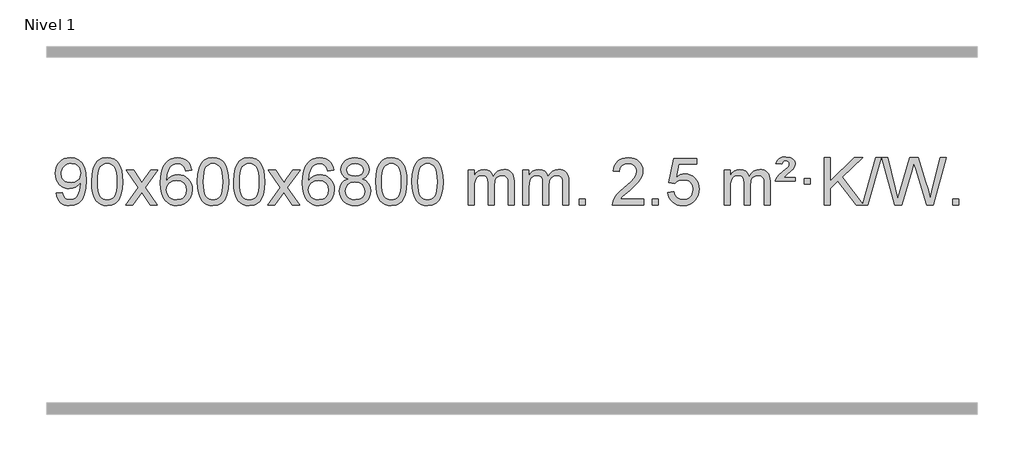
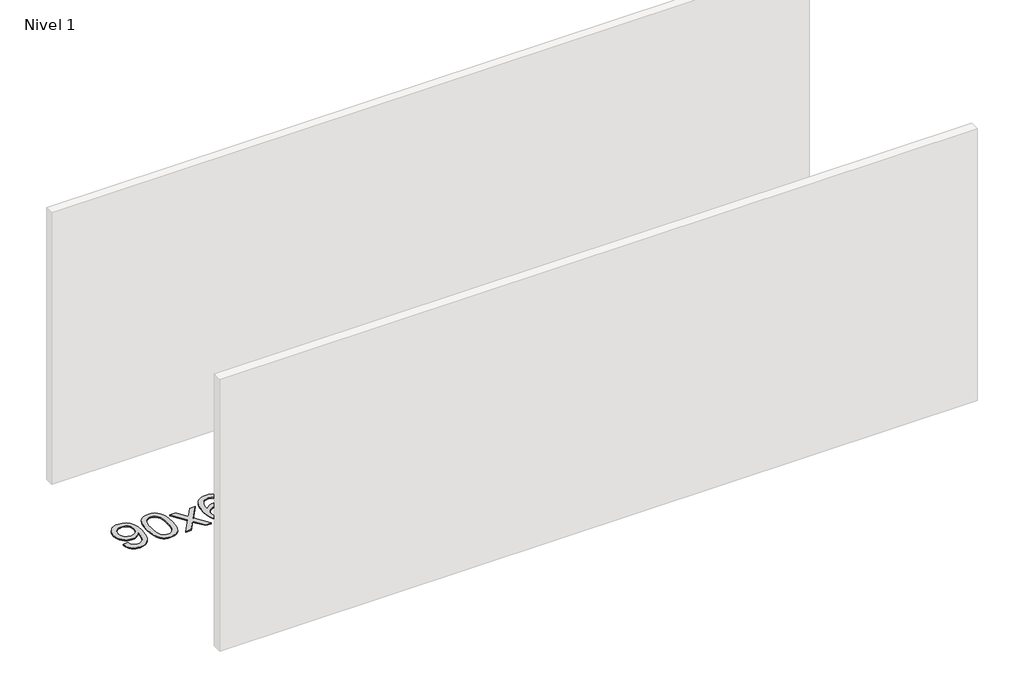
# One storey, part 8 of 16: 1 proxy.
"""IFC4 building model written with IfcOpenShell, lengths in millimetres."""

from ifc_helpers import new_model, si_unit, origin, origin_with_axes, place, context, project, spatial, polyline, outline, extrude, element, save

model = new_model("IFC4")

# Units and contexts
model_context = context("Model", 3, world=origin())
ifc_project = project(units=[si_unit("LENGTHUNIT", "METRE", prefix="MILLI")], contexts=[model_context])

# Site, building, storey
site = spatial("IfcSite", under=ifc_project)
building = spatial("IfcBuilding", under=site)
storey = spatial("IfcBuildingStorey", under=building, Name="Nivel 1", Elevation=0.0)

# Proxy
placement = place(None, origin())
element("IfcBuildingElementProxy", 1, Name="Texto de modelo 1", ObjectType="Texto de modelo 1", at=placement, inside=storey, context=model_context, shape_type="SweptSolid", body=[
    extrude(outline(polyline([(-149.8911911, -18395.1231428), (-99.663036, -18388.8446235), (-91.0791228, -18417.3554781), (-77.099607, -18436.7673847), (-58.0678451, -18447.9142092), (-34.3271937, -18451.6298173), (-13.0268261, -18449.2385843), (6.3360295, -18442.0648854), (22.4247355, -18430.8935355), (33.9026537, -18416.5093495), (50.3347162, -18372.8540194), (55.7793697, -18344.4535294), (57.5942542, -18314.5815114), (57.2999486, -18304.7713248), (39.8991302, -18326.0103787), (17.1272347, -18342.8348486), (-9.3725317, -18353.7977321), (-37.9569627, -18357.4520265), (-61.8171757, -18355.2202091), (-83.7582711, -18348.5247568), (-103.7802487, -18337.3656696), (-121.8831085, -18321.7429475), (-136.8834969, -18302.4720624), (-147.59806, -18280.3684858), (-154.0267978, -18255.4322179), (-156.1697105, -18227.6632586), (-153.9225646, -18198.968463), (-147.181127, -18173.2167234), (-135.9453978, -18150.4080397), (-120.2153768, -18130.5424119), (-101.1008415, -18114.4475746), (-79.7115691, -18102.9512623), (-56.0475598, -18096.0534749), (-30.1088134, -18093.7542124), (7.3538364, -18099.0026622), (41.4564973, -18114.7480116), (69.9796147, -18140.2054457), (90.7036338, -18174.5901495), (103.3219862, -18222.1205032), (107.5281037, -18287.0148872), (103.3342489, -18355.821083), (90.7526847, -18409.0045568), (69.8937756, -18448.9688042), (56.4017034, -18464.8950289), (40.8678862, -18478.117321), (23.6050235, -18488.503856), (4.9258152, -18495.9228095), (-36.6816384, -18501.8579724), (-59.2389361, -18500.1074672), (-79.62573, -18494.8559517), (-97.8420201, -18486.1034259), (-113.8878065, -18473.8498898), (-127.3584189, -18458.4264372), (-137.8491871, -18440.1641618), (-145.3601112, -18419.0630637), (-149.8911911, -18395.1231428)]), holes=[polyline([(57.2999486, -18226.4860363), (51.8798205, -18192.444689), (45.1046605, -18178.3670713), (35.6194364, -18166.2514909), (23.8901321, -18156.5087494), (10.3827315, -18149.5496483), (-21.9663586, -18143.9823675), (-39.5756435, -18145.4814866), (-55.5171966, -18149.978844), (-69.791018, -18157.4744396), (-82.3971077, -18167.9682736), (-92.6978036, -18180.8472091), (-100.0554435, -18195.4981095), (-104.4700274, -18211.9209749), (-105.9415554, -18230.1158053), (-100.3742745, -18261.1527829), (-93.4151735, -18274.2708417), (-83.6724319, -18285.7886139), (-71.5507202, -18295.1665391), (-57.4547084, -18301.8650571), (-23.3397847, -18307.2238715), (8.751788, -18301.8650571), (34.5893668, -18285.7886139), (44.5252463, -18274.0439812), (51.6223031, -18260.2453407), (57.2999486, -18226.4860363)])]), origin_with_axes(), (0.0, 0.0, 1.0), 10.0),
    extrude(outline(polyline([(151.4777394, -18297.9041943), (155.1688221, -18233.5861588), (166.2420701, -18182.2911459), (184.5871189, -18143.2343407), (196.4451819, -18128.0009605), (210.0936039, -18115.6309284), (225.5783702, -18106.0598651), (242.9454661, -18099.2233914), (283.3266464, -18093.7542124), (314.277785, -18096.991574), (341.9915619, -18106.7036586), (365.1681276, -18122.5103217), (382.5076323, -18144.0314184), (395.6042314, -18171.0830078), (406.05208, -18203.4811488), (412.8946851, -18244.6226186), (415.1755535, -18297.9041943), (411.521259, -18361.8543477), (400.5583756, -18413.0267333), (382.3236913, -18452.1203266), (370.4932195, -18467.3996922), (356.8539945, -18479.8341036), (341.3508341, -18489.4695462), (323.928556, -18496.3520052), (283.3266464, -18501.8579724), (255.6619204, -18499.4667394), (231.1364541, -18492.2930405), (209.7502474, -18480.3368757), (191.5033004, -18463.5982449), (173.9921175, -18433.3399508), (161.4841296, -18395.6381776), (153.9793369, -18350.4929255), (151.4777394, -18297.9041943)]), holes=[polyline([(201.7058944, -18297.8060924), (203.1774224, -18341.4706195), (207.5920064, -18376.8148822), (214.9496463, -18403.8388804), (225.2503421, -18422.5426142), (237.709279, -18435.2682656), (251.5416421, -18444.3580165), (266.7474312, -18449.8118671), (283.3266464, -18451.6298173), (299.9058617, -18449.8057357), (315.1116508, -18444.3334911), (328.9440138, -18435.2130833), (341.4029507, -18422.4445124), (351.7036466, -18403.7101217), (359.0612865, -18376.6922549), (363.4758705, -18341.3909118), (364.9473984, -18297.8060924), (363.5249214, -18255.2973278), (359.2574902, -18220.5753989), (352.145105, -18193.6403055), (342.1877657, -18174.4920476), (329.9372952, -18161.1440625), (315.9455167, -18151.6097875), (300.21243, -18145.8892225), (282.7380352, -18143.9823675), (266.2446591, -18145.6623619), (251.2963874, -18150.7023452), (237.89322, -18159.1023175), (226.0351571, -18170.8622786), (215.3911047, -18191.708925), (207.7882101, -18219.8151094), (203.2264734, -18255.1808319), (201.7058944, -18297.8060924)])]), origin_with_axes(), (0.0, 0.0, 1.0), 10.0),
    extrude(outline(polyline([(440.2896311, -18495.579453), (547.6130718, -18347.2494325), (446.5681504, -18200.4890419), (506.9988995, -18200.4890419), (555.7555266, -18271.122385), (578.5151594, -18304.4770192), (598.2336343, -18277.2047007), (653.7592901, -18200.4890419), (714.1900392, -18200.4890419), (608.0438209, -18347.2494325), (710.2659646, -18495.579453), (649.8352155, -18495.579453), (588.3253459, -18406.4048574), (577.0436314, -18390.1199477), (500.7203801, -18495.579453), (440.2896311, -18495.579453)])), origin_with_axes(), (0.0, 0.0, 1.0), 10.0),
    extrude(outline(polyline([(999.0778563, -18200.4890419), (948.8497012, -18206.7675613), (940.7562973, -18181.874213), (929.8179393, -18164.8780648), (907.0337811, -18149.2062918), (879.4916824, -18143.9823675), (856.1434384, -18147.0235253), (834.1686206, -18156.1469988), (815.2962742, -18175.3627017), (799.8820186, -18201.8134171), (789.4709581, -18239.227016), (785.6081972, -18291.3313693), (805.7558678, -18267.8237098), (829.9011894, -18251.2567573), (856.6952614, -18241.434308), (884.7891831, -18238.1601582), (908.922242, -18240.398107), (931.1913654, -18247.1119534), (951.5965534, -18258.3016975), (970.137806, -18273.9673391), (985.5459302, -18293.1769106), (996.5517332, -18314.9984443), (1003.155215, -18339.4319401), (1005.3563756, -18366.4773982), (1001.2115718, -18402.4439945), (988.7771604, -18435.786366), (969.0832109, -18464.0642287), (943.159793, -18484.8372987), (912.184129, -18497.602804), (877.3334413, -18501.8579724), (847.3909126, -18499.0375437), (820.3485203, -18490.5762579), (796.2062643, -18476.4741147), (774.9641448, -18456.7311143), (757.6460999, -18430.5133908), (745.2760678, -18396.9870783), (737.8540485, -18356.1521768), (735.3800421, -18308.0086864), (738.1268943, -18254.0342663), (746.367451, -18207.9693092), (760.1017122, -18169.8138149), (779.3296778, -18139.5677835), (800.1701928, -18119.5243462), (824.3339085, -18105.2076052), (851.820825, -18096.6175606), (882.6309421, -18093.7542124), (905.7645882, -18095.5261773), (926.7032051, -18100.8420722), (945.4467927, -18109.7018969), (961.9953511, -18122.1056515), (975.9012906, -18137.6364031), (986.7170212, -18155.8772186), (994.4425431, -18176.8280983), (999.0778563, -18200.4890419)]), holes=[polyline([(785.6081972, -18365.6925832), (788.514465, -18387.9494439), (797.2332682, -18409.2007605), (810.7713257, -18427.472233), (828.1353558, -18440.7895612), (849.0923668, -18448.9197533), (873.4093667, -18451.6298173), (906.5555345, -18446.0134855), (920.4706709, -18438.9930708), (932.6138425, -18429.1644901), (942.4638829, -18416.9262824), (949.499626, -18402.6769865), (955.1282206, -18368.1451299), (949.5732024, -18334.9989621), (942.6294298, -18321.3781312), (932.9081481, -18309.725469), (920.7281883, -18300.3904634), (906.4083817, -18293.7226022), (871.3492275, -18288.3883133), (838.2521107, -18293.7226022), (810.5751219, -18309.725469), (799.6520924, -18321.2248471), (791.8499284, -18334.3858254), (787.16863, -18349.2084042), (785.6081972, -18365.6925832)])]), origin_with_axes(), (0.0, 0.0, 1.0), 10.0),
    extrude(outline(polyline([(1049.3060113, -18297.9041943), (1052.997094, -18233.5861588), (1064.0703421, -18182.2911459), (1082.4153909, -18143.2343407), (1094.2734539, -18128.0009605), (1107.9218759, -18115.6309284), (1123.4066422, -18106.0598651), (1140.7737381, -18099.2233914), (1181.1549184, -18093.7542124), (1212.1060569, -18096.991574), (1239.8198339, -18106.7036586), (1262.9963996, -18122.5103217), (1280.3359043, -18144.0314184), (1293.4325033, -18171.0830078), (1303.880352, -18203.4811488), (1310.7229571, -18244.6226186), (1313.0038255, -18297.9041943), (1309.349531, -18361.8543477), (1298.3866475, -18413.0267333), (1280.1519633, -18452.1203266), (1268.3214915, -18467.3996922), (1254.6822665, -18479.8341036), (1239.1791061, -18489.4695462), (1221.7568279, -18496.3520052), (1181.1549184, -18501.8579724), (1153.4901924, -18499.4667394), (1128.964726, -18492.2930405), (1107.5785194, -18480.3368757), (1089.3315724, -18463.5982449), (1071.8203894, -18433.3399508), (1059.3124016, -18395.6381776), (1051.8076089, -18350.4929255), (1049.3060113, -18297.9041943)]), holes=[polyline([(1099.5341664, -18297.8060924), (1101.0056944, -18341.4706195), (1105.4202783, -18376.8148822), (1112.7779182, -18403.8388804), (1123.0786141, -18422.5426142), (1135.537551, -18435.2682656), (1149.369914, -18444.3580165), (1164.5757032, -18449.8118671), (1181.1549184, -18451.6298173), (1197.7341337, -18449.8057357), (1212.9399228, -18444.3334911), (1226.7722858, -18435.2130833), (1239.2312227, -18422.4445124), (1249.5319186, -18403.7101217), (1256.8895585, -18376.6922549), (1261.3041424, -18341.3909118), (1262.7756704, -18297.8060924), (1261.3531934, -18255.2973278), (1257.0857622, -18220.5753989), (1249.973377, -18193.6403055), (1240.0160376, -18174.4920476), (1227.7655672, -18161.1440625), (1213.7737886, -18151.6097875), (1198.040702, -18145.8892225), (1180.5663072, -18143.9823675), (1164.0729311, -18145.6623619), (1149.1246594, -18150.7023452), (1135.721492, -18159.1023175), (1123.863429, -18170.8622786), (1113.2193766, -18191.708925), (1105.6164821, -18219.8151094), (1101.0547453, -18255.1808319), (1099.5341664, -18297.8060924)])]), origin_with_axes(), (0.0, 0.0, 1.0), 10.0),
    extrude(outline(polyline([(1356.9534612, -18297.9041943), (1360.6445439, -18233.5861588), (1371.7177919, -18182.2911459), (1390.0628407, -18143.2343407), (1401.9209037, -18128.0009605), (1415.5693257, -18115.6309284), (1431.054092, -18106.0598651), (1448.4211879, -18099.2233914), (1488.8023682, -18093.7542124), (1519.7535068, -18096.991574), (1547.4672837, -18106.7036586), (1570.6438494, -18122.5103217), (1587.9833541, -18144.0314184), (1601.0799532, -18171.0830078), (1611.5278018, -18203.4811488), (1618.3704069, -18244.6226186), (1620.6512753, -18297.9041943), (1616.9969808, -18361.8543477), (1606.0340974, -18413.0267333), (1587.7994131, -18452.1203266), (1575.9689413, -18467.3996922), (1562.3297163, -18479.8341036), (1546.8265559, -18489.4695462), (1529.4042778, -18496.3520052), (1488.8023682, -18501.8579724), (1461.1376422, -18499.4667394), (1436.6121759, -18492.2930405), (1415.2259692, -18480.3368757), (1396.9790222, -18463.5982449), (1379.4678393, -18433.3399508), (1366.9598514, -18395.6381776), (1359.4550587, -18350.4929255), (1356.9534612, -18297.9041943)]), holes=[polyline([(1407.1816162, -18297.8060924), (1408.6531442, -18341.4706195), (1413.0677282, -18376.8148822), (1420.4253681, -18403.8388804), (1430.7260639, -18422.5426142), (1443.1850008, -18435.2682656), (1457.0173639, -18444.3580165), (1472.223153, -18449.8118671), (1488.8023682, -18451.6298173), (1505.3815835, -18449.8057357), (1520.5873726, -18444.3334911), (1534.4197356, -18435.2130833), (1546.8786725, -18422.4445124), (1557.1793684, -18403.7101217), (1564.5370083, -18376.6922549), (1568.9515923, -18341.3909118), (1570.4231202, -18297.8060924), (1569.0006432, -18255.2973278), (1564.733212, -18220.5753989), (1557.6208268, -18193.6403055), (1547.6634875, -18174.4920476), (1535.413017, -18161.1440625), (1521.4212385, -18151.6097875), (1505.6881518, -18145.8892225), (1488.213757, -18143.9823675), (1471.7203809, -18145.6623619), (1456.7721092, -18150.7023452), (1443.3689418, -18159.1023175), (1431.5108789, -18170.8622786), (1420.8668265, -18191.708925), (1413.2639319, -18219.8151094), (1408.7021952, -18255.1808319), (1407.1816162, -18297.8060924)])]), origin_with_axes(), (0.0, 0.0, 1.0), 10.0),
    extrude(outline(polyline([(1645.7653528, -18495.579453), (1753.0887936, -18347.2494325), (1652.0438722, -18200.4890419), (1712.4746213, -18200.4890419), (1761.2312484, -18271.122385), (1783.9908812, -18304.4770192), (1803.7093561, -18277.2047007), (1859.2350119, -18200.4890419), (1919.665761, -18200.4890419), (1813.5195426, -18347.2494325), (1915.7416864, -18495.579453), (1855.3109373, -18495.579453), (1793.8010677, -18406.4048574), (1782.5193532, -18390.1199477), (1706.1961019, -18495.579453), (1645.7653528, -18495.579453)])), origin_with_axes(), (0.0, 0.0, 1.0), 10.0),
    extrude(outline(polyline([(2204.5535781, -18200.4890419), (2154.325423, -18206.7675613), (2146.2320191, -18181.874213), (2135.2936611, -18164.8780648), (2112.5095029, -18149.2062918), (2084.9674042, -18143.9823675), (2061.6191602, -18147.0235253), (2039.6443423, -18156.1469988), (2020.771996, -18175.3627017), (2005.3577404, -18201.8134171), (1994.9466799, -18239.227016), (1991.083919, -18291.3313693), (2011.2315896, -18267.8237098), (2035.3769112, -18251.2567573), (2062.1709832, -18241.434308), (2090.2649049, -18238.1601582), (2114.3979638, -18240.398107), (2136.6670872, -18247.1119534), (2157.0722752, -18258.3016975), (2175.6135278, -18273.9673391), (2191.021652, -18293.1769106), (2202.027455, -18314.9984443), (2208.6309368, -18339.4319401), (2210.8320974, -18366.4773982), (2206.6872936, -18402.4439945), (2194.2528822, -18435.786366), (2174.5589327, -18464.0642287), (2148.6355148, -18484.8372987), (2117.6598508, -18497.602804), (2082.8091631, -18501.8579724), (2052.8666344, -18499.0375437), (2025.8242421, -18490.5762579), (2001.6819861, -18476.4741147), (1980.4398666, -18456.7311143), (1963.1218217, -18430.5133908), (1950.7517896, -18396.9870783), (1943.3297703, -18356.1521768), (1940.8557639, -18308.0086864), (1943.6026161, -18254.0342663), (1951.8431728, -18207.9693092), (1965.577434, -18169.8138149), (1984.8053996, -18139.5677835), (2005.6459146, -18119.5243462), (2029.8096303, -18105.2076052), (2057.2965468, -18096.6175606), (2088.1066638, -18093.7542124), (2111.24031, -18095.5261773), (2132.1789269, -18100.8420722), (2150.9225145, -18109.7018969), (2167.4710729, -18122.1056515), (2181.3770124, -18137.6364031), (2192.192743, -18155.8772186), (2199.9182649, -18176.8280983), (2204.5535781, -18200.4890419)]), holes=[polyline([(1991.083919, -18365.6925832), (1993.9901867, -18387.9494439), (2002.70899, -18409.2007605), (2016.2470475, -18427.472233), (2033.6110776, -18440.7895612), (2054.5680886, -18448.9197533), (2078.8850885, -18451.6298173), (2112.0312563, -18446.0134855), (2125.9463927, -18438.9930708), (2138.0895643, -18429.1644901), (2147.9396047, -18416.9262824), (2154.9753478, -18402.6769865), (2160.6039424, -18368.1451299), (2155.0489242, -18334.9989621), (2148.1051516, -18321.3781312), (2138.3838699, -18309.725469), (2126.2039101, -18300.3904634), (2111.8841035, -18293.7226022), (2076.8249493, -18288.3883133), (2043.7278325, -18293.7226022), (2016.0508437, -18309.725469), (2005.1278142, -18321.2248471), (1997.3256502, -18334.3858254), (1992.6443518, -18349.2084042), (1991.083919, -18365.6925832)])]), origin_with_axes(), (0.0, 0.0, 1.0), 10.0),
    extrude(outline(polyline([(2327.9657247, -18274.2616447), (2301.0735509, -18261.0178929), (2282.2012045, -18243.0652515), (2271.05438, -18220.7716026), (2267.3387719, -18194.5048281), (2269.3621229, -18174.0199324), (2275.4321758, -18155.2395565), (2285.5489307, -18138.1637006), (2299.7123875, -18122.7923645), (2317.2419645, -18110.088173), (2337.4570802, -18101.0137504), (2360.3577344, -18095.5690969), (2385.9439271, -18093.7542124), (2411.6527472, -18095.6120165), (2434.7250797, -18101.1854287), (2455.1609245, -18110.4744491), (2472.9602817, -18123.4790776), (2487.3812559, -18139.1508506), (2497.6819518, -18156.4413044), (2503.8623693, -18175.3504389), (2505.9225085, -18195.8782543), (2502.2559513, -18221.2989001), (2491.2562796, -18243.2124043), (2472.8008662, -18261.0546811), (2446.7670837, -18274.2616447), (2477.681434, -18290.1909351), (2500.1835494, -18313.6495436), (2513.9055478, -18343.5092989), (2518.4795473, -18378.6420295), (2516.2109416, -18403.6947933), (2509.4051247, -18426.6628926), (2498.0620965, -18447.5463272), (2482.1818571, -18466.3450971), (2462.5982722, -18481.88198), (2440.1452078, -18492.9797536), (2414.8226638, -18499.6384177), (2386.6306402, -18501.8579724), (2358.4386166, -18499.6292206), (2333.1160726, -18492.9429654), (2310.6630082, -18481.7992066), (2291.0794233, -18466.1979443), (2275.1991839, -18447.26735), (2263.8561557, -18426.135595), (2257.0503388, -18402.8026795), (2254.7817331, -18377.2686033), (2259.5396736, -18340.7747094), (2273.813495, -18310.7555386), (2296.8674334, -18288.2411605), (2327.9657247, -18274.2616447)]), holes=[polyline([(2317.566927, -18195.9763561), (2322.0182991, -18217.902123), (2335.3724155, -18235.413306), (2357.2368688, -18246.8912243), (2387.2192514, -18250.717197), (2416.5026582, -18246.9157497), (2438.0360177, -18235.5114079), (2451.2797695, -18218.5888361), (2455.6943534, -18198.232699), (2451.1326167, -18177.1040098), (2437.4474065, -18159.629615), (2415.6197414, -18147.8941794), (2386.6306402, -18143.9823675), (2357.457598, -18147.8083402), (2335.6667211, -18159.2862585), (2322.0918755, -18176.1107284), (2317.566927, -18195.9763561)]), polyline([(2305.0098882, -18375.5027698), (2307.1068156, -18394.7184726), (2313.3975977, -18413.3210389), (2325.010406, -18429.5446349), (2343.073412, -18441.623427), (2364.7048733, -18449.1282197), (2387.0230477, -18451.6298173), (2421.2115477, -18446.3691048), (2435.1052244, -18439.7932141), (2446.8651855, -18430.5869672), (2462.9048405, -18406.6869002), (2468.2513922, -18377.0723996), (2462.7331623, -18346.9551269), (2446.1784725, -18322.5277625), (2434.0996803, -18313.0854579), (2419.9362235, -18306.3409547), (2385.3553159, -18300.9453521), (2351.6450625, -18306.2673783), (2337.9077356, -18312.919911), (2326.2489421, -18322.2334569), (2310.3196517, -18346.1948375), (2305.0098882, -18375.5027698)])]), origin_with_axes(), (0.0, 0.0, 1.0), 10.0),
    extrude(outline(polyline([(2562.429183, -18297.9041943), (2566.1202656, -18233.5861588), (2577.1935137, -18182.2911459), (2595.5385625, -18143.2343407), (2607.3966255, -18128.0009605), (2621.0450475, -18115.6309284), (2636.5298138, -18106.0598651), (2653.8969097, -18099.2233914), (2694.27809, -18093.7542124), (2725.2292286, -18096.991574), (2752.9430055, -18106.7036586), (2776.1195712, -18122.5103217), (2793.4590759, -18144.0314184), (2806.555675, -18171.0830078), (2817.0035236, -18203.4811488), (2823.8461287, -18244.6226186), (2826.1269971, -18297.9041943), (2822.4727026, -18361.8543477), (2811.5098192, -18413.0267333), (2793.2751349, -18452.1203266), (2781.4446631, -18467.3996922), (2767.8054381, -18479.8341036), (2752.3022777, -18489.4695462), (2734.8799996, -18496.3520052), (2694.27809, -18501.8579724), (2666.613364, -18499.4667394), (2642.0878976, -18492.2930405), (2620.701691, -18480.3368757), (2602.454744, -18463.5982449), (2584.9435611, -18433.3399508), (2572.4355732, -18395.6381776), (2564.9307805, -18350.4929255), (2562.429183, -18297.9041943)]), holes=[polyline([(2612.657338, -18297.8060924), (2614.128866, -18341.4706195), (2618.54345, -18376.8148822), (2625.9010899, -18403.8388804), (2636.2017857, -18422.5426142), (2648.6607226, -18435.2682656), (2662.4930856, -18444.3580165), (2677.6988748, -18449.8118671), (2694.27809, -18451.6298173), (2710.8573053, -18449.8057357), (2726.0630944, -18444.3334911), (2739.8954574, -18435.2130833), (2752.3543943, -18422.4445124), (2762.6550902, -18403.7101217), (2770.0127301, -18376.6922549), (2774.427314, -18341.3909118), (2775.898842, -18297.8060924), (2774.476365, -18255.2973278), (2770.2089338, -18220.5753989), (2763.0965486, -18193.6403055), (2753.1392093, -18174.4920476), (2740.8887388, -18161.1440625), (2726.8969603, -18151.6097875), (2711.1638736, -18145.8892225), (2693.6894788, -18143.9823675), (2677.1961027, -18145.6623619), (2662.247831, -18150.7023452), (2648.8446636, -18159.1023175), (2636.9866007, -18170.8622786), (2626.3425483, -18191.708925), (2618.7396537, -18219.8151094), (2614.1779169, -18255.1808319), (2612.657338, -18297.8060924)])]), origin_with_axes(), (0.0, 0.0, 1.0), 10.0),
    extrude(outline(polyline([(2870.0766328, -18297.9041943), (2873.7677155, -18233.5861588), (2884.8409635, -18182.2911459), (2903.1860124, -18143.2343407), (2915.0440753, -18128.0009605), (2928.6924974, -18115.6309284), (2944.1772637, -18106.0598651), (2961.5443595, -18099.2233914), (3001.9255399, -18093.7542124), (3032.8766784, -18096.991574), (3060.5904554, -18106.7036586), (3083.7670211, -18122.5103217), (3101.1065258, -18144.0314184), (3114.2031248, -18171.0830078), (3124.6509735, -18203.4811488), (3131.4935786, -18244.6226186), (3133.7744469, -18297.9041943), (3130.1201525, -18361.8543477), (3119.157269, -18413.0267333), (3100.9225848, -18452.1203266), (3089.0921129, -18467.3996922), (3075.452888, -18479.8341036), (3059.9497276, -18489.4695462), (3042.5274494, -18496.3520052), (3001.9255399, -18501.8579724), (2974.2608138, -18499.4667394), (2949.7353475, -18492.2930405), (2928.3491408, -18480.3368757), (2910.1021939, -18463.5982449), (2892.5910109, -18433.3399508), (2880.0830231, -18395.6381776), (2872.5782304, -18350.4929255), (2870.0766328, -18297.9041943)]), holes=[polyline([(2920.3047879, -18297.8060924), (2921.7763158, -18341.4706195), (2926.1908998, -18376.8148822), (2933.5485397, -18403.8388804), (2943.8492356, -18422.5426142), (2956.3081725, -18435.2682656), (2970.1405355, -18444.3580165), (2985.3463246, -18449.8118671), (3001.9255399, -18451.6298173), (3018.5047551, -18449.8057357), (3033.7105442, -18444.3334911), (3047.5429073, -18435.2130833), (3060.0018442, -18422.4445124), (3070.30254, -18403.7101217), (3077.6601799, -18376.6922549), (3082.0747639, -18341.3909118), (3083.5462919, -18297.8060924), (3082.1238148, -18255.2973278), (3077.8563837, -18220.5753989), (3070.7439984, -18193.6403055), (3060.7866591, -18174.4920476), (3048.5361887, -18161.1440625), (3034.5444101, -18151.6097875), (3018.8113234, -18145.8892225), (3001.3369287, -18143.9823675), (2984.8435526, -18145.6623619), (2969.8952808, -18150.7023452), (2956.4921135, -18159.1023175), (2944.6340505, -18170.8622786), (2933.9899981, -18191.708925), (2926.3871035, -18219.8151094), (2921.8253668, -18255.1808319), (2920.3047879, -18297.8060924)])]), origin_with_axes(), (0.0, 0.0, 1.0), 10.0),
    extrude(outline(polyline([(3347.244106, -18495.579453), (3347.244106, -18200.4890419), (3397.4722611, -18200.4890419), (3397.4722611, -18249.0494653), (3412.5799483, -18226.7435537), (3432.0041177, -18209.2691589), (3455.0825815, -18197.9751816), (3481.1531522, -18194.2105225), (3509.0876584, -18198.048758), (3531.4794092, -18209.5634645), (3548.2057772, -18227.9943524), (3559.1441352, -18252.5811324), (3577.4523959, -18227.0439906), (3598.3358304, -18208.803175), (3621.794439, -18197.8586857), (3647.8282215, -18194.2105225), (3667.9360383, -18195.7280358), (3685.585177, -18200.2805755), (3700.7756377, -18207.8681416), (3713.5074204, -18218.4907342), (3723.5720587, -18232.2709806), (3730.761086, -18249.3315082), (3735.0745024, -18269.6723168), (3736.5123078, -18293.2934066), (3736.5123078, -18495.579453), (3686.2841528, -18495.579453), (3686.2841528, -18314.875817), (3685.1191931, -18289.8230531), (3681.6243142, -18272.9372695), (3675.0760146, -18261.3735121), (3664.7507933, -18252.2868268), (3651.4702533, -18246.4007149), (3636.0559977, -18244.4386776), (3608.8449928, -18249.4663982), (3586.6617085, -18264.54956), (3578.0563355, -18276.1194488), (3571.9096405, -18290.7182326), (3566.9922845, -18329.0024856), (3566.9922845, -18495.579453), (3516.7641294, -18495.579453), (3516.7641294, -18309.2840106), (3513.8578616, -18280.8835206), (3505.1390583, -18260.6254854), (3489.7983791, -18248.4853796), (3467.0264836, -18244.4386776), (3447.6758907, -18247.1364789), (3429.8458767, -18255.2298828), (3415.1305968, -18268.5226856), (3405.1242066, -18286.8186835), (3399.3852475, -18312.2025411), (3397.4722611, -18346.7589232), (3397.4722611, -18495.579453), (3347.244106, -18495.579453)])), origin_with_axes(), (0.0, 0.0, 1.0), 10.0),
    extrude(outline(polyline([(3811.8545404, -18495.579453), (3811.8545404, -18200.4890419), (3862.0826955, -18200.4890419), (3862.0826955, -18249.0494653), (3877.1903828, -18226.7435537), (3896.6145521, -18209.2691589), (3919.693016, -18197.9751816), (3945.7635867, -18194.2105225), (3973.6980929, -18198.048758), (3996.0898436, -18209.5634645), (4012.8162117, -18227.9943524), (4023.7545697, -18252.5811324), (4042.0628303, -18227.0439906), (4062.9462649, -18208.803175), (4086.4048734, -18197.8586857), (4112.438656, -18194.2105225), (4132.5464727, -18195.7280358), (4150.1956114, -18200.2805755), (4165.3860721, -18207.8681416), (4178.1178548, -18218.4907342), (4188.1824931, -18232.2709806), (4195.3715204, -18249.3315082), (4199.6849368, -18269.6723168), (4201.1227423, -18293.2934066), (4201.1227423, -18495.579453), (4150.8945872, -18495.579453), (4150.8945872, -18314.875817), (4149.7296276, -18289.8230531), (4146.2347486, -18272.9372695), (4139.6864491, -18261.3735121), (4129.3612278, -18252.2868268), (4116.0806877, -18246.4007149), (4100.6664321, -18244.4386776), (4073.4554272, -18249.4663982), (4051.2721429, -18264.54956), (4042.6667699, -18276.1194488), (4036.5200749, -18290.7182326), (4031.6027189, -18329.0024856), (4031.6027189, -18495.579453), (3981.3745638, -18495.579453), (3981.3745638, -18309.2840106), (3978.4682961, -18280.8835206), (3969.7494928, -18260.6254854), (3954.4088136, -18248.4853796), (3931.6369181, -18244.4386776), (3912.2863251, -18247.1364789), (3894.4563111, -18255.2298828), (3879.7410313, -18268.5226856), (3869.734641, -18286.8186835), (3863.9956819, -18312.2025411), (3862.0826955, -18346.7589232), (3862.0826955, -18495.579453), (3811.8545404, -18495.579453)])), origin_with_axes(), (0.0, 0.0, 1.0), 10.0),
    extrude(outline(polyline([(4289.0220137, -18495.579453), (4289.0220137, -18445.3512979), (4339.2501687, -18445.3512979), (4339.2501687, -18495.579453), (4289.0220137, -18495.579453)])), origin_with_axes(), (0.0, 0.0, 1.0), 10.0),
    extrude(outline(polyline([(4835.2532001, -18445.3512979), (4835.2532001, -18495.579453), (4571.555386, -18495.579453), (4572.6590319, -18477.8965918), (4576.9509885, -18460.9494945), (4589.3363491, -18433.8856424), (4607.4606687, -18407.6311307), (4633.6783922, -18380.1503456), (4670.3439644, -18349.4076736), (4724.545245, -18301.2641831), (4757.0660134, -18265.7267824), (4773.3263976, -18236.884834), (4778.7465256, -18208.8277005), (4773.6329659, -18183.6768347), (4758.2922867, -18162.7688747), (4734.7110508, -18148.6789943), (4704.875821, -18143.9823675), (4673.5445377, -18148.5686297), (4649.2030124, -18162.3274163), (4633.4944512, -18184.1796068), (4628.0620604, -18213.0460807), (4577.8339053, -18206.7675613), (4582.1534531, -18180.838012), (4590.0107994, -18158.1826125), (4601.4059442, -18138.8013627), (4616.3388875, -18122.6942627), (4634.4662728, -18110.0329907), (4655.4447436, -18100.989225), (4679.2742998, -18095.5629655), (4705.9549415, -18093.7542124), (4732.8747065, -18095.7653006), (4756.8330215, -18101.7985654), (4777.8298863, -18111.8540066), (4795.8653011, -18125.9316242), (4810.3506547, -18142.9890861), (4820.6973358, -18161.9840598), (4826.9053445, -18182.9165453), (4828.9746807, -18205.7865427), (4826.7428633, -18229.8092369), (4820.047411, -18253.4149983), (4808.1648225, -18277.4254299), (4790.3715967, -18302.6621347), (4762.0078949, -18332.7916701), (4718.4138784, -18371.4805933), (4660.6318797, -18419.795762), (4637.9703488, -18445.3512979), (4835.2532001, -18445.3512979)])), origin_with_axes(), (0.0, 0.0, 1.0), 10.0),
    extrude(outline(polyline([(4910.5954327, -18495.579453), (4910.5954327, -18445.3512979), (4960.8235878, -18445.3512979), (4960.8235878, -18495.579453), (4910.5954327, -18495.579453)])), origin_with_axes(), (0.0, 0.0, 1.0), 10.0),
    extrude(outline(polyline([(5042.4443398, -18388.8446235), (5092.6724949, -18382.5661041), (5101.8940702, -18412.7201649), (5117.9827761, -18434.3148381), (5140.8650362, -18447.3010725), (5170.4672741, -18451.6298173), (5189.5971379, -18450.1245668), (5206.4706587, -18445.6088153), (5221.0878366, -18438.0825628), (5233.4486717, -18427.5458094), (5243.2772523, -18414.519721), (5250.2976671, -18399.5254641), (5255.9139988, -18363.6324441), (5250.6532863, -18329.8363514), (5244.0773957, -18315.9181493), (5234.8711487, -18303.9865099), (5223.0038887, -18294.4154467), (5208.4449587, -18287.5789729), (5171.252089, -18282.1097939), (5146.8860382, -18284.2925604), (5127.1553005, -18290.8408599), (5111.3976884, -18300.8717757), (5098.9510142, -18313.5023908), (5048.7228592, -18307.2238715), (5092.6724949, -18100.0327318), (5287.3065958, -18100.0327318), (5287.3065958, -18150.2608869), (5133.2866671, -18150.2608869), (5111.8023586, -18260.919791), (5129.5281394, -18248.2155994), (5147.6831159, -18239.1411769), (5166.267288, -18233.6965234), (5185.2806558, -18231.8816388), (5209.7417428, -18234.1318504), (5232.2101356, -18240.882485), (5252.6858343, -18252.1335427), (5271.1688389, -18267.8850234), (5286.4696642, -18287.1743027), (5297.3988252, -18309.038756), (5303.9563217, -18333.4783832), (5306.1421539, -18360.4931844), (5304.1739852, -18386.5147042), (5298.2694792, -18410.7213394), (5288.4286359, -18433.1130902), (5274.6514551, -18453.6899565), (5253.7802833, -18474.7634634), (5229.4264952, -18489.8159684), (5201.5900909, -18498.8474714), (5170.2710704, -18501.8579724), (5144.3507181, -18499.9235262), (5120.9380948, -18494.1201877), (5100.0332004, -18484.447957), (5081.636035, -18470.9068338), (5066.3290783, -18454.1712688), (5054.6948102, -18434.915712), (5046.7332307, -18413.1401636), (5042.4443398, -18388.8446235)])), origin_with_axes(), (0.0, 0.0, 1.0), 10.0),
    extrude(outline(polyline([(5519.611813, -18495.579453), (5519.611813, -18200.4890419), (5569.8399681, -18200.4890419), (5569.8399681, -18249.0494653), (5584.9476553, -18226.7435537), (5604.3718247, -18209.2691589), (5627.4502885, -18197.9751816), (5653.5208592, -18194.2105225), (5681.4553654, -18198.048758), (5703.8471162, -18209.5634645), (5720.5734842, -18227.9943524), (5731.5118422, -18252.5811324), (5749.8201028, -18227.0439906), (5770.7035374, -18208.803175), (5794.162146, -18197.8586857), (5820.1959285, -18194.2105225), (5840.3037452, -18195.7280358), (5857.952884, -18200.2805755), (5873.1433447, -18207.8681416), (5885.8751274, -18218.4907342), (5895.9397656, -18232.2709806), (5903.128793, -18249.3315082), (5907.4422094, -18269.6723168), (5908.8800148, -18293.2934066), (5908.8800148, -18495.579453), (5858.6518597, -18495.579453), (5858.6518597, -18314.875817), (5857.4869001, -18289.8230531), (5853.9920211, -18272.9372695), (5847.4437216, -18261.3735121), (5837.1185003, -18252.2868268), (5823.8379603, -18246.4007149), (5808.4237047, -18244.4386776), (5781.2126998, -18249.4663982), (5759.0294155, -18264.54956), (5750.4240424, -18276.1194488), (5744.2773474, -18290.7182326), (5739.3599914, -18329.0024856), (5739.3599914, -18495.579453), (5689.1318364, -18495.579453), (5689.1318364, -18309.2840106), (5686.2255686, -18280.8835206), (5677.5067653, -18260.6254854), (5662.1660861, -18248.4853796), (5639.3941906, -18244.4386776), (5620.0435977, -18247.1364789), (5602.2135836, -18255.2298828), (5587.4983038, -18268.5226856), (5577.4919136, -18286.8186835), (5571.7529544, -18312.2025411), (5569.8399681, -18346.7589232), (5569.8399681, -18495.579453), (5519.611813, -18495.579453)])), origin_with_axes(), (0.0, 0.0, 1.0), 10.0),
    extrude(outline(polyline([(5952.8296505, -18294.6668327), (5956.6556233, -18278.8479069), (5964.9942818, -18262.9799302), (5986.5031158, -18237.8413272), (6018.4597984, -18210.1030247), (6062.6056379, -18172.726214), (6069.7425486, -18161.1992448), (6072.1215188, -18149.3779701), (6070.2330579, -18137.2869152), (6064.5676752, -18127.5012541), (6055.198947, -18121.026531), (6042.2004499, -18118.8682899), (6029.7660384, -18120.4869707), (6020.9123451, -18125.343013), (6014.4866729, -18134.8098431), (6009.336325, -18150.2608869), (5959.1081699, -18143.9823675), (5969.948426, -18118.7701881), (5986.5766922, -18101.2099542), (6010.3418691, -18090.9092583), (6042.5928573, -18087.475693), (6078.3755127, -18091.6082341), (6103.1217083, -18104.0058573), (6117.5426825, -18122.3386434), (6122.3496739, -18144.2766731), (6118.253921, -18167.1834586), (6105.9666624, -18188.8149199), (6085.438847, -18208.6314968), (6048.9694786, -18236.6886303), (6023.3648917, -18263.2742358), (6122.3496739, -18263.2742358), (6122.3496739, -18294.6668327), (5952.8296505, -18294.6668327)])), origin_with_axes(), (0.0, 0.0, 1.0), 10.0),
    extrude(outline(polyline([(6197.6919065, -18319.7809102), (6197.6919065, -18269.5527552), (6247.9200616, -18269.5527552), (6247.9200616, -18319.7809102), (6197.6919065, -18319.7809102)])), origin_with_axes(), (0.0, 0.0, 1.0), 10.0),
    extrude(outline(polyline([(6638.5616895, -18495.579453), (6485.1303721, -18292.9009991), (6417.440085, -18357.4520265), (6417.440085, -18495.579453), (6367.2119299, -18495.579453), (6367.2119299, -18093.7542124), (6417.440085, -18093.7542124), (6417.440085, -18290.4484525), (6623.4540023, -18093.7542124), (6693.6949379, -18093.7542124), (6520.7413492, -18258.9577537), (6695.3949591, -18489.5349332), (6806.7082868, -18093.7542124), (6852.0313486, -18093.7542124), (6739.0179997, -18495.579453), (6699.9734572, -18495.579453), (6693.6949379, -18495.579453), (6638.5616895, -18495.579453)])), origin_with_axes(), (0.0, 0.0, 1.0), 10.0),
    extrude(outline(polyline([(6966.5162255, -18495.579453), (6856.9364419, -18093.7542124), (6908.7342268, -18093.7542124), (6972.3042355, -18357.844434), (6991.9246086, -18439.3670841), (7012.9184078, -18367.2622131), (7092.5771225, -18093.7542124), (7167.2326421, -18093.7542124), (7225.1127426, -18292.0180823), (7249.9079891, -18365.5944814), (7268.1794615, -18439.3670841), (7287.2112234, -18360.1988788), (7351.3698434, -18093.7542124), (7403.1676283, -18093.7542124), (7293.4897428, -18495.579453), (7239.8280224, -18495.579453), (7143.4919906, -18185.5775584), (7130.0520351, -18142.3146358), (7114.9443478, -18194.4067263), (7027.1431783, -18495.579453), (6966.5162255, -18495.579453)])), origin_with_axes(), (0.0, 0.0, 1.0), 10.0),
    extrude(outline(polyline([(7459.6743028, -18495.579453), (7459.6743028, -18445.3512979), (7509.9024578, -18445.3512979), (7509.9024578, -18495.579453), (7459.6743028, -18495.579453)])), origin_with_axes(), (0.0, 0.0, 1.0), 10.0),
])

save(model, "model.ifc")
